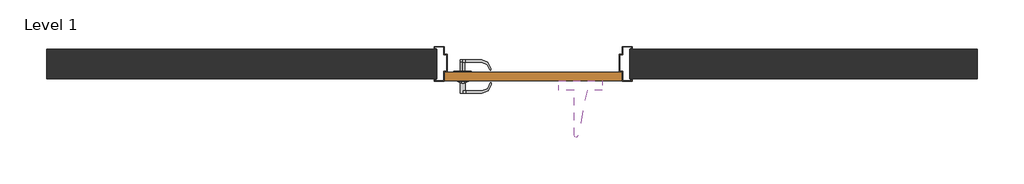
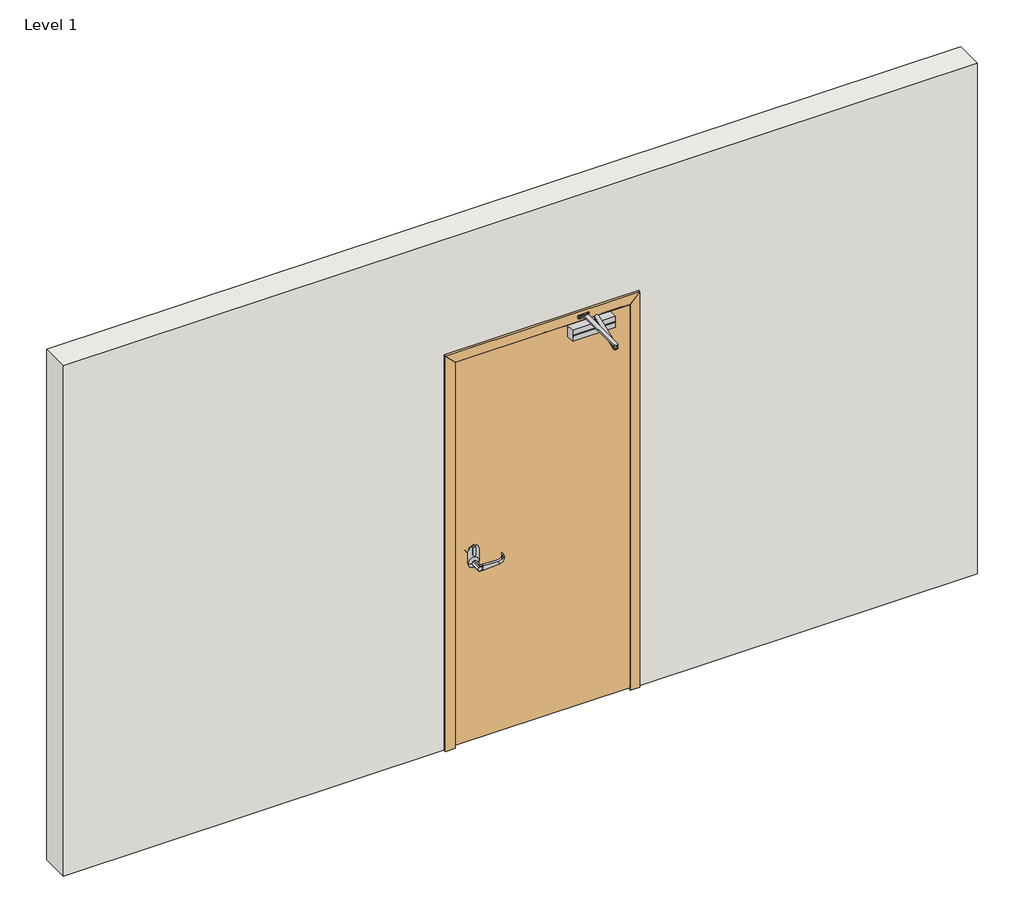
# One storey: 3 proxies, 1 door, 1 wall.
"""IFC4 building model written with IfcOpenShell, lengths in millimetres."""

import ifcopenshell
import ifcopenshell.guid

model = None  # the IFC model being written
_history = None  # IfcOwnerHistory: only IFC2X3 demands one
_inside = {}  # id of a spatial element -> (the spatial element, [elements in it])
_under = {}  # id of a project, library or spatial element -> (it, [spatial elements below it])
_declared = {}  # id of a project -> (the project, [libraries it declares])
_typed = {}  # id of a type object -> (the type object, [elements of that type])
_made_of = {}  # id of a material, layer set ... -> (it, [elements and type objects made of it])


def new_model(schema):
    """Start an empty IFC model of exactly this schema.

    Asked for "IFC4X3", IfcOpenShell would pick the latest addendum, in which some entities
    have other attributes; the version numbers below select the first issue.
    IFC2X3 requires an IfcOwnerHistory on every rooted entity: one is made here for all.
    """
    global model, _history
    if schema == "IFC4X3":
        model = ifcopenshell.file(schema_version=(4, 3, 0, 0))
    else:
        model = ifcopenshell.file(schema=schema)
    _inside.clear()
    _under.clear()
    _declared.clear()
    _typed.clear()
    _made_of.clear()
    _history = None
    if model.schema == "IFC2X3":
        org = make("IfcOrganization", Name="unknown")
        user = make(
            "IfcPersonAndOrganization",
            ThePerson=make("IfcPerson", FamilyName="unknown"),
            TheOrganization=org,
        )
        app = make(
            "IfcApplication",
            ApplicationDeveloper=org,
            Version="unknown",
            ApplicationFullName="unknown",
            ApplicationIdentifier="unknown",
        )
        _history = make(
            "IfcOwnerHistory",
            OwningUser=user,
            OwningApplication=app,
            ChangeAction="ADDED",
            CreationDate=0,
        )
    return model


def make(cls, **values):
    """One entity of the class cls with the attributes given. An attribute that is None is left unset."""
    return model.create_entity(
        cls, **{name: value for name, value in values.items() if value is not None}
    )


def rooted(cls, **values):
    """An entity with a GlobalId (a new one), such as an element, a storey or a relation."""
    return make(cls, GlobalId=ifcopenshell.guid.new(), OwnerHistory=_history, **values)


def si_unit(unit_type, name, prefix=None):
    """IfcSIUnit, for example si_unit("LENGTHUNIT", "METRE", prefix="MILLI")."""
    return make("IfcSIUnit", UnitType=unit_type, Prefix=prefix, Name=name)


def assignment(units):
    """IfcUnitAssignment: the units of a project."""
    return None if units is None else make("IfcUnitAssignment", Units=units)


def point(xyz):
    """IfcCartesianPoint."""
    return None if xyz is None else make("IfcCartesianPoint", Coordinates=xyz)


def direction(xyz):
    """IfcDirection."""
    return None if xyz is None else make("IfcDirection", DirectionRatios=xyz)


def frame(location, z_axis=None, x_axis=None):
    """IfcAxis2Placement3D, a coordinate frame: its origin and axes. An axis left out is left unset."""
    return make(
        "IfcAxis2Placement3D",
        Location=point(location),
        Axis=direction(z_axis),
        RefDirection=direction(x_axis),
    )


def frame_2d(location, x_axis=None):
    """IfcAxis2Placement2D, a coordinate frame in the plane: its origin and x axis."""
    return make(
        "IfcAxis2Placement2D", Location=point(location), RefDirection=direction(x_axis)
    )


def origin():
    """The frame at (0, 0, 0) with its axes left unset."""
    return frame((0.0, 0.0, 0.0))


def origin_with_axes():
    """The frame at (0, 0, 0) with the z axis (0, 0, 1) and the x axis (1, 0, 0) written out."""
    return frame((0.0, 0.0, 0.0), z_axis=(0.0, 0.0, 1.0), x_axis=(1.0, 0.0, 0.0))


def place(relative_to, where):
    """IfcLocalPlacement: puts the frame where relative to a parent placement (None: the world)."""
    return make(
        "IfcLocalPlacement", PlacementRelTo=relative_to, RelativePlacement=where
    )


def context(
    kind, dimensions, precision=None, world=None, true_north=None, identifier=None
):
    """IfcGeometricRepresentationContext, for example the 3D "Model" context."""
    return make(
        "IfcGeometricRepresentationContext",
        ContextIdentifier=identifier,
        ContextType=kind,
        CoordinateSpaceDimension=dimensions,
        Precision=precision,
        WorldCoordinateSystem=world,
        TrueNorth=true_north,
    )


def project(units=None, contexts=None):
    """IfcProject with its units and contexts."""
    return rooted(
        "IfcProject",
        Name="project",
        RepresentationContexts=contexts,
        UnitsInContext=assignment(units),
    )


def spatial(cls, under=None, at=None, **own):
    """A site, building, storey or space (cls), placed at a placement, below another one or the project."""
    s = rooted(cls, ObjectPlacement=at, **own)
    if under is not None:
        _under.setdefault(under.id(), (under, []))[1].append(s)
    return s


def polyline(points):
    """IfcPolyline through the points."""
    return make("IfcPolyline", Points=[point(p) for p in points])


def circle_curve(where, radius):
    """IfcCircle in the frame where."""
    return make("IfcCircle", Position=where, Radius=radius)


def ellipse_curve(where, semi_axis1, semi_axis2):
    """IfcEllipse in the frame where."""
    return make(
        "IfcEllipse", Position=where, SemiAxis1=semi_axis1, SemiAxis2=semi_axis2
    )


def trimmed(basis, trim1, trim2, sense, master):
    """IfcTrimmedCurve: the piece of a basis curve between two trims."""
    return make(
        "IfcTrimmedCurve",
        BasisCurve=basis,
        Trim1=trim1,
        Trim2=trim2,
        SenseAgreement=sense,
        MasterRepresentation=master,
    )


def segment(curve, same_sense, transition):
    """IfcCompositeCurveSegment."""
    return make(
        "IfcCompositeCurveSegment",
        Transition=transition,
        SameSense=same_sense,
        ParentCurve=curve,
    )


def composite_curve(segments, self_intersect=None):
    """IfcCompositeCurve: segments joined end to end."""
    return make("IfcCompositeCurve", Segments=segments, SelfIntersect=self_intersect)


def outline(outer, holes=None, kind="AREA"):
    """IfcArbitraryClosedProfileDef: a profile drawn as a closed curve; with holes, ...WithVoids."""
    if holes is None:
        return make("IfcArbitraryClosedProfileDef", ProfileType=kind, OuterCurve=outer)
    return make(
        "IfcArbitraryProfileDefWithVoids",
        ProfileType=kind,
        OuterCurve=outer,
        InnerCurves=holes,
    )


def extrude(swept, where, along, depth):
    """IfcExtrudedAreaSolid: the profile swept, set in the frame where, extruded along a direction by depth."""
    return make(
        "IfcExtrudedAreaSolid",
        SweptArea=swept,
        Position=where,
        ExtrudedDirection=direction(along),
        Depth=depth,
    )


def faces_of(points, faces, orient=None, outer=None):
    """IfcFace entities. A face is a list of loops; a loop is a list of indices into points, from 0.

    orient and outer hold one flag for each loop. By default every Orientation is true, the
    first loop of a face is its IfcFaceOuterBound and the others are IfcFaceBound.
    """
    made = []
    for i, loops in enumerate(faces):
        bounds = []
        for j, loop in enumerate(loops):
            is_outer = j == 0 if outer is None else outer[i][j]
            bounds.append(
                make(
                    "IfcFaceOuterBound" if is_outer else "IfcFaceBound",
                    Bound=make("IfcPolyLoop", Polygon=[points[k] for k in loop]),
                    Orientation=True if orient is None else orient[i][j],
                )
            )
        made.append(make("IfcFace", Bounds=bounds))
    return made


def faceted_brep(points, faces, orient=None, outer=None, voids=None):
    """IfcFacetedBrep: a solid bounded by flat faces; with voids (closed shells), ...WithVoids."""
    shared = [point(p) for p in points]
    hull = make("IfcClosedShell", CfsFaces=faces_of(shared, faces, orient, outer))
    if voids is None:
        return make("IfcFacetedBrep", Outer=hull)
    return make(
        "IfcFacetedBrepWithVoids",
        Outer=hull,
        Voids=[
            make(cls, CfsFaces=faces_of(shared, fs, o, b)) for cls, fs, o, b in voids
        ],
    )


def shape(context_of_items, identifier, shape_type, items):
    """IfcShapeRepresentation: the items that make up one representation, for example the "Body"."""
    return make(
        "IfcShapeRepresentation",
        ContextOfItems=context_of_items,
        RepresentationIdentifier=identifier,
        RepresentationType=shape_type,
        Items=items,
    )


def source(mapping_origin, context_of_items, identifier, shape_type, items):
    """IfcRepresentationMap: a shape defined once, which mapped items show again and again."""
    return make(
        "IfcRepresentationMap",
        MappingOrigin=mapping_origin,
        MappedRepresentation=shape(context_of_items, identifier, shape_type, items),
    )


def transform(
    local_origin,
    x_axis=None,
    y_axis=None,
    z_axis=None,
    scale=None,
    scale2=None,
    scale3=None,
    uniform=True,
):
    """IfcCartesianTransformationOperator3D, or its non-uniform kind. x_axis, y_axis, z_axis: its Axis1, 2, 3."""
    if uniform:
        return make(
            "IfcCartesianTransformationOperator3D",
            Axis1=direction(x_axis),
            Axis2=direction(y_axis),
            LocalOrigin=point(local_origin),
            Scale=scale,
            Axis3=direction(z_axis),
        )
    return make(
        "IfcCartesianTransformationOperator3DnonUniform",
        Axis1=direction(x_axis),
        Axis2=direction(y_axis),
        LocalOrigin=point(local_origin),
        Scale=scale,
        Axis3=direction(z_axis),
        Scale2=scale2,
        Scale3=scale3,
    )


def mapped(mapping_source, mapping_target):
    """IfcMappedItem: shows the shape of a source again, moved by a transform."""
    return make(
        "IfcMappedItem", MappingSource=mapping_source, MappingTarget=mapping_target
    )


def made_of(thing, what):
    """Note that an element or type object is made of a material, layer set ...; save() writes the relation."""
    if what is not None:
        _made_of.setdefault(what.id(), (what, []))[1].append(thing)
    return thing


def element(
    cls,
    number,
    at=None,
    inside=None,
    cuts=None,
    type_object=None,
    material=None,
    context=None,
    identifier="Body",
    shape_type=None,
    held_by="IfcProductDefinitionShape",
    body=None,
    shapes=None,
    **own,
):
    """One element of the class cls, such as IfcWall. Its Tag is "e" and its number.

    at: its placement. inside: the storey or other place that contains it. cuts: it is an
    opening in that element (IfcRelVoidsElement). A single representation is given by context,
    identifier, shape_type and body (its items); several are given by shapes. held_by: the class
    of the entity that holds the representations. save() writes the other relations.
    """
    e = rooted(cls, Tag="e%d" % number, ObjectPlacement=at, **own)
    if body is not None:
        shapes = [shape(context, identifier, shape_type, body)]
    if shapes is not None:
        e.Representation = make(held_by, Representations=shapes)
    if inside is not None:
        _inside.setdefault(inside.id(), (inside, []))[1].append(e)
    if cuts is not None:
        rooted(
            "IfcRelVoidsElement", RelatingBuildingElement=cuts, RelatedOpeningElement=e
        )
    if type_object is not None:
        _typed.setdefault(type_object.id(), (type_object, []))[1].append(e)
    return made_of(e, material)


def aggregate(whole, parts):
    """IfcRelAggregates: a whole, such as a stair, and the parts it consists of."""
    return rooted("IfcRelAggregates", RelatingObject=whole, RelatedObjects=parts)


def save(model, path):
    """Write the relations noted so far, then the file.

    IfcRelAggregates (storeys below a building ...), IfcRelContainedInSpatialStructure (elements
    in a storey), IfcRelDefinesByType, IfcRelAssociatesMaterial and IfcRelDeclares: one each for
    every whole, place, type object, material and project.
    """
    for whole, parts in _under.values():
        aggregate(whole, parts)
    for where, things in _inside.values():
        rooted(
            "IfcRelContainedInSpatialStructure",
            RelatedElements=things,
            RelatingStructure=where,
        )
    for kind, things in _typed.values():
        rooted("IfcRelDefinesByType", RelatedObjects=things, RelatingType=kind)
    for what, things in _made_of.values():
        rooted("IfcRelAssociatesMaterial", RelatedObjects=things, RelatingMaterial=what)
    for by, libraries in _declared.values():
        rooted("IfcRelDeclares", RelatingContext=by, RelatedDefinitions=libraries)
    model.write(path)


def plane_surface(at):
    """IfcPlane: the flat surface through the origin of the frame at, square to its z axis."""
    return make("IfcPlane", Position=at)


def cylinder_surface(at, radius):
    """IfcCylindricalSurface: all points at the distance radius from the z axis of the frame at."""
    return make("IfcCylindricalSurface", Position=at, Radius=radius)


def revolved_surface(curve, axis_point, axis_direction):
    """IfcSurfaceOfRevolution: the curve turned about the line through axis_point along axis_direction."""
    return make(
        "IfcSurfaceOfRevolution",
        SweptCurve=make("IfcArbitraryOpenProfileDef", ProfileType="CURVE", Curve=curve),
        AxisPosition=make("IfcAxis1Placement", Location=point(axis_point), Axis=direction(axis_direction)),
    )


def advanced_brep(points, edges, surfaces, faces):
    """IfcAdvancedBrep: a solid bounded by faces that lie on surfaces and meet in shared edges.

    An edge is (start, end): straight between two places in points (the first is 0);
    or (start, end, curve); or (start, end, curve, False) where it runs against its curve.
    A face is (place in surfaces, loops), or (place, loops, False) where it looks against
    its surface's normal. A loop lists edges by number (the first is 1), with a minus sign
    where the edge is run from its end to its start. The first loop is the outer one.
    """
    corners = [point(p) for p in points]
    vertices = [make("IfcVertexPoint", VertexGeometry=c) for c in corners]
    made = []
    for start, end, *more in edges:
        made.append(
            make(
                "IfcEdgeCurve",
                EdgeStart=vertices[start],
                EdgeEnd=vertices[end],
                EdgeGeometry=more[0] if more else make("IfcPolyline", Points=[corners[start], corners[end]]),
                SameSense=more[1] if len(more) > 1 else True,
            )
        )
    hull = []
    for where, loops, *sense in faces:
        bounds = []
        for j, loop in enumerate(loops):
            ring = [make("IfcOrientedEdge", EdgeElement=made[abs(k) - 1], Orientation=k > 0) for k in loop]
            bounds.append(
                make(
                    "IfcFaceOuterBound" if j == 0 else "IfcFaceBound",
                    Bound=make("IfcEdgeLoop", EdgeList=ring),
                    Orientation=True,
                )
            )
        hull.append(make("IfcAdvancedFace", Bounds=bounds, FaceSurface=surfaces[where], SameSense=sense[0] if sense else True))
    return make("IfcAdvancedBrep", Outer=make("IfcClosedShell", CfsFaces=hull))


def security_devices_9c26af49(model_context):
    return source(origin(), model_context, "Body", "SolidModel", [
        extrude(outline(composite_curve([segment(trimmed(circle_curve(frame_2d((99.5344007, -0.0063393)), 23.8125), [point((99.5344007, -23.8188393))], [point((99.5344007, 23.8061607))], False, "CARTESIAN"), True, "CONTINUOUS"), segment(trimmed(circle_curve(frame_2d((99.5344007, -0.0063393)), 23.8125), [point((99.5344007, 23.8061607))], [point((99.5344007, -23.8188393))], False, "CARTESIAN"), True, "CONTINUOUS")], self_intersect=False), holes=[polyline([(103.877612, 0.5953125), (103.877612, -0.5479098), (122.117482, -0.5479098), (122.117482, 0.5953125), (103.877612, 0.5953125)])]), frame((0.0, 0.0, 4.7625058), z_axis=(0.0, 0.0, 1.0), x_axis=(1.0, 0.0, 0.0)), (0.0, 0.0, 1.0), 1.5875),
        extrude(outline(composite_curve([segment(trimmed(circle_curve(frame_2d((99.4551409, -0.0278818)), 25.4), [point((99.4551409, -25.4278818))], [point((99.4551409, 25.3721182))], False, "CARTESIAN"), True, "CONTINUOUS"), segment(trimmed(circle_curve(frame_2d((99.4551409, -0.0278818)), 25.4), [point((99.4551409, 25.3721182))], [point((99.4551409, -25.4278818))], False, "CARTESIAN"), True, "CONTINUOUS")], self_intersect=False), holes=[polyline([(103.877612, 0.5953125), (103.877612, -0.5479098), (122.117482, -0.5479098), (122.117482, 0.5953125), (103.877612, 0.5953125)])]), frame((0.0, 0.0, 5.8e-06), z_axis=(0.0, 0.0, 1.0), x_axis=(1.0, 0.0, 0.0)), (0.0, 0.0, 1.0), 4.7625),
        advanced_brep(
        [(-134.3787, -6.35, 3.175), (-134.3787, 6.35, 3.175), (-134.3787, -45.0088, 0.0), (-134.3787, 45.0088, 0.0)],
        [
            (0, 1, circle_curve(frame((-134.3787, 0.0, 3.175), z_axis=(0.0, 0.0, 1.0), x_axis=(0.0, -1.0, 0.0)), 6.35)),
            (1, 0, circle_curve(frame((-134.3787, 0.0, 3.175), z_axis=(0.0, 0.0, 1.0), x_axis=(0.0, 1.0, 0.0)), 6.35)),
            (2, 3, circle_curve(frame((-134.3787, 0.0, 0.0), z_axis=(0.0, 0.0, -1.0), x_axis=(0.0, 1.0, 0.0)), 45.0088)),
            (3, 2, circle_curve(frame((-134.3787, 0.0, 0.0), z_axis=(0.0, 0.0, -1.0), x_axis=(0.0, -1.0, 0.0)), 45.0088)),
            (3, 1),
            (0, 2),
        ],
        [
            plane_surface(frame((-134.3787, 0.0, 3.175), z_axis=(0.0, 0.0, 1.0), x_axis=(1.0, 0.0, 0.0))),
            plane_surface(frame((-134.3787, 0.0, 0.0), z_axis=(0.0, 0.0, -1.0), x_axis=(1.0, 0.0, 0.0))),
            revolved_surface(polyline([(-134.3787, -6.3499995835972864, 3.175), (-134.3787, -45.0088, 0.0)]), (-134.3787, 0.0, 3.6965177), (0.0, 0.0, -1.0)),
            revolved_surface(polyline([(-134.3787, 6.3499995835972864, 3.175), (-134.3787, 45.0088, 0.0)]), (-134.3787, 0.0, 3.6965177), (0.0, 0.0, -1.0)),
        ],
        [
            (0, [[1, 2]]),
            (1, [[3, 4]]),
            (2, [[-4, 5, -1, 6]]),
            (3, [[-3, -6, -2, -5]]),
        ],
    ),
        advanced_brep(
        [(0.9422676, -43.7299898, 4.7622), (0.9422676, 45.1700102, 4.7622), (13.6502825, 0.7189698, 4.7622), (-11.7497175, 0.7189698, 4.7622), (0.9422676, -43.7299898, -0.0003), (0.9422676, 45.1700102, -0.0003), (-11.7497175, 0.7315259, 50.7997), (-11.7497175, -11.9684741, 50.7997), (-11.7497175, -11.9684741, 63.4997), (-11.7497175, 0.7315259, 63.4997), (13.6502825, -11.9684741, 50.7997), (13.6502825, 0.7315259, 50.7997), (13.6502825, 0.7189698, 63.4997), (13.6502825, -11.9684741, 63.4997), (9.618535, -96.1059741, 50.7997), (-7.71797, -96.1059741, 50.7997), (-7.71797, -96.1059741, 63.4997), (9.618535, -96.1059741, 63.4997), (-5.3997175, -144.4849891, 19.1808168), (-5.3997175, -144.4849891, 10.688597), (7.3002825, -144.4849891, 10.688597), (7.3002825, -144.4849891, 19.1808168), (-5.5533138, -141.2796266, 10.688597), (7.4538789, -141.2796266, 10.688597)],
        [
            (0, 1, circle_curve(frame((0.9422676, 0.7200102, 4.7622), z_axis=(0.0, 0.0, 1.0), x_axis=(0.0, 1.0, 0.0)), 44.45)),
            (1, 0, circle_curve(frame((0.9422676, 0.7200102, 4.7622), z_axis=(0.0, 0.0, 1.0), x_axis=(0.0, 1.0, 0.0)), 44.45)),
            (2, 3, circle_curve(frame((0.9502825, 0.7189698, 4.7622), z_axis=(0.0, 0.0, -1.0), x_axis=(0.0, 1.0, 0.0)), 12.7)),
            (3, 2, circle_curve(frame((0.9502825, 0.7189698, 4.7622), z_axis=(0.0, 0.0, -1.0), x_axis=(0.0, 1.0, 0.0)), 12.7)),
            (4, 5, circle_curve(frame((0.9422676, 0.7200102, -0.0003), z_axis=(0.0, 0.0, -1.0), x_axis=(0.0, 1.0, 0.0)), 44.45)),
            (5, 4, circle_curve(frame((0.9422676, 0.7200102, -0.0003), z_axis=(0.0, 0.0, -1.0), x_axis=(0.0, 1.0, 0.0)), 44.45)),
            (0, 4),
            (5, 1),
            (6, 7),
            (7, 8),
            (8, 9),
            (9, 6),
            (10, 11),
            (11, 12),
            (12, 13),
            (13, 10),
            (6, 11, circle_curve(frame((0.9502825, 0.7189698, 50.7997), z_axis=(0.0, 0.0, 1.0), x_axis=(0.0, 1.0, 0.0)), 12.7)),
            (10, 14),
            (14, 15),
            (15, 7),
            (16, 17),
            (17, 13),
            (12, 9, circle_curve(frame((0.9502825, 0.7189698, 63.4997), z_axis=(0.0, 0.0, 1.0), x_axis=(0.0, 1.0, 0.0)), 12.7)),
            (8, 16),
            (16, 18, ellipse_curve(frame((-7.71797, -96.1059741, 14.9347069), z_axis=(0.9988538794169152, 0.047863635191853514, 0.0), x_axis=(-0.04786363519185008, 0.9988538794169152, 0.0)), 48.6207182, 48.564993)),
            (18, 19, circle_curve(frame((-5.3997175, -96.1059741, 14.9347069), z_axis=(1.0, 0.0, 0.0), x_axis=(0.0, -1.0, 0.0)), 48.564993)),
            (19, 20),
            (20, 21, circle_curve(frame((7.3002825, -96.1059741, 14.9347069), z_axis=(-1.0, 0.0, 0.0), x_axis=(0.0, -1.0, 0.0)), 48.564993)),
            (21, 17, ellipse_curve(frame((9.618535, -96.1059741, 14.9347069), z_axis=(-0.9988538794169147, 0.047863635191862944, 0.0), x_axis=(-0.04786363519185988, -0.998853879416915, 0.0)), 48.6207182, 48.564993)),
            (19, 22),
            (22, 23),
            (23, 20),
            (22, 15, ellipse_curve(frame((-7.71797, -96.1059741, 5.3065672), z_axis=(-0.9988538794169152, -0.047863635191853514, 0.0), x_axis=(0.04786363519185008, -0.9988538794169152, 0.0)), 45.5453332, 45.4931328)),
            (14, 23, ellipse_curve(frame((9.618535, -96.1059741, 5.3065672), z_axis=(0.9988538794169147, -0.047863635191862944, 0.0), x_axis=(0.04786363519185988, 0.998853879416915, 0.0)), 45.5453332, 45.4931328)),
            (21, 20),
            (18, 19),
            (6, 3),
            (2, 11),
            (6, 11, circle_curve(frame((0.9502825, 0.7189698, 50.7997), z_axis=(0.0, 0.0, -1.0), x_axis=(0.0, 1.0, 0.0)), 12.7)),
        ],
        [
            plane_surface(frame((0.9422676, 45.1700102, 4.7622), z_axis=(0.0, 0.0, 1.0), x_axis=(-1.0, 0.0, 0.0))),
            plane_surface(frame((0.9422676, 45.1700102, -0.0003), z_axis=(0.0, 0.0, -1.0), x_axis=(1.0, 0.0, 0.0))),
            cylinder_surface(frame((0.9422676, 0.7200102, -0.0003), z_axis=(0.0, 0.0, 1.0), x_axis=(0.0, 1.0, 0.0)), 44.45),
            plane_surface(frame((-11.7497175, -141.5991068, 5.3065672), z_axis=(-1.0, 0.0, 0.0), x_axis=(0.0, 0.0, -1.0))),
            plane_surface(frame((13.6502825, -141.5991068, 5.3065672), z_axis=(1.0, 0.0, 0.0), x_axis=(0.0, 0.0, 1.0))),
            plane_surface(frame((-11.7497175, -24.3071745, 50.7997), z_axis=(0.0, 0.0, -1.0), x_axis=(1.0, 0.0, 0.0))),
            plane_surface(frame((-11.7497175, -96.1059741, 63.4997), z_axis=(0.0, 0.0, 1.0), x_axis=(1.0, 0.0, 0.0))),
            cylinder_surface(frame((13.6502825, -96.1059741, 14.9347069), z_axis=(-1.0, 0.0, 0.0), x_axis=(0.0, -1.0, 0.0)), 48.564993),
            plane_surface(frame((-11.7497175, -141.2796266, 10.688597), z_axis=(0.0, 0.0, -1.0), x_axis=(1.0, 0.0, 0.0))),
            revolved_surface(polyline([(11.798500212976503, -141.59910689999998, 5.3065672), (-9.897935212976058, -141.59910689999998, 5.3065672)]), (13.6502825, -96.1059741, 5.3065672), (1.0, 0.0, 0.0)),
            plane_surface(frame((14.2585473, 0.7252479, 66.7497141), z_axis=(0.9988538794169147, -0.047863635191862944, 0.0), x_axis=(0.0, 0.0, -1.0))),
            plane_surface(frame((7.3002825, -144.4849891, 66.7497141), z_axis=(1.0, 0.0, 0.0), x_axis=(0.0, 0.0, -1.0))),
            plane_surface(frame((-5.3997175, -147.6698877, 66.7497141), z_axis=(-1.0, 0.0, 0.0), x_axis=(0.0, 0.0, -1.0))),
            plane_surface(frame((-5.3997175, -144.4849891, 66.7497141), z_axis=(-0.9988538794169152, -0.047863635191853514, 0.0), x_axis=(0.0, 0.0, -1.0))),
            cylinder_surface(frame((0.9502825, 0.7189698, 4.7622), z_axis=(0.0, 0.0, 1.0), x_axis=(0.0, 1.0, 0.0)), 12.7),
            cylinder_surface(frame((0.9502825, 0.7189698, 50.7997), z_axis=(0.0, 0.0, -1.0), x_axis=(0.0, 1.0, 0.0)), 12.7),
        ],
        [
            (0, [[1, 2], [3, 4]]),
            (1, [[5, 6]]),
            (2, [[-1, 7, -6, 8]]),
            (2, [[-2, -8, -5, -7]]),
            (3, [[9, 10, 11, 12]]),
            (4, [[13, 14, 15, 16]]),
            (5, [[17, -13, 18, 19, 20, -9]]),
            (6, [[21, 22, -15, 23, -11, 24]]),
            (7, [[-21, 25, 26, 27, 28, 29]]),
            (8, [[-27, 30, 31, 32]]),
            (9, [[-31, 33, -19, 34]]),
            (10, [[35, -32, -34, -18, -16, -22, -29]]),
            (11, [[-35, -28]]),
            (12, [[36, -26]]),
            (13, [[-36, -25, -24, -10, -20, -33, -30]]),
            (14, [[-17, 37, -3, 38]]),
            (14, [[-37, 39, -38, -4]]),
            (15, [[-12, -23, -14, -39]]),
        ],
    ),
    ])


def security_devices_b0bf361a(model_context):
    return source(origin(), model_context, "Body", "SolidModel", [
        advanced_brep(
        [(-8.990533, -97.004577, 50.7997), (-12.8497447, -16.4676806, 50.7997), (12.2048245, -16.4751801, 50.7997), (8.3459721, -97.004577, 50.7997), (-12.8493853, -16.4751801, 63.4997), (12.2048245, -16.4751801, 63.4997), (-8.990533, -97.004577, 63.4997), (8.3459721, -97.004577, 63.4997), (-6.6722804, -145.383592, 19.1808168), (-6.6722804, -145.383592, 10.688597), (6.0277196, -145.383592, 10.688597), (6.0277196, -145.383592, 19.1808168), (-6.8258768, -142.1782295, 10.688597), (6.1813159, -142.1782295, 10.688597)],
        [
            (0, 1),
            (1, 2),
            (2, 3),
            (3, 0),
            (1, 4),
            (4, 5),
            (5, 2),
            (4, 6),
            (6, 7),
            (7, 5),
            (6, 8, ellipse_curve(frame((-8.990533, -97.004577, 14.9347069), z_axis=(0.9988538794169153, 0.047863635191850405, 0.0), x_axis=(-0.047863635191848275, 0.9988538794169153, 1.4829133505031355e-11)), 48.6207182, 48.564993)),
            (8, 9, circle_curve(frame((-6.6722804, -97.004577, 14.9347069), z_axis=(1.0, 0.0, 0.0), x_axis=(0.0, -1.0, 0.0)), 48.564993)),
            (9, 10),
            (10, 11, circle_curve(frame((6.0277196, -97.004577, 14.9347069), z_axis=(-1.0, 0.0, 0.0), x_axis=(0.0, -1.0, 0.0)), 48.564993)),
            (11, 7, ellipse_curve(frame((8.3459721, -97.004577, 14.9347069), z_axis=(-0.9988538794169146, 0.04786363519186604, 0.0), x_axis=(-0.047863635191861674, -0.9988538794169146, 1.4829526703403655e-11)), 48.6207182, 48.564993)),
            (9, 12),
            (12, 13),
            (13, 10),
            (3, 13, ellipse_curve(frame((8.3459721, -97.004577, 5.3065672), z_axis=(0.9988538794169146, -0.04786363519186604, 0.0), x_axis=(0.047863635191861674, 0.9988538794169146, -1.4829526703403655e-11)), 45.5453332, 45.4931328)),
            (12, 0, ellipse_curve(frame((-8.990533, -97.004577, 5.3065672), z_axis=(-0.9988538794169153, -0.047863635191850405, 0.0), x_axis=(0.047863635191848275, -0.9988538794169153, -1.4829133505031355e-11)), 45.5453332, 45.4931328)),
            (9, 8),
            (10, 11),
        ],
        [
            plane_surface(frame((-13.0062506, -97.004577, 50.7997), z_axis=(0.0, 0.0, -1.0), x_axis=(1.0, 0.0, 0.0))),
            plane_surface(frame((-13.0062506, -16.4751801, 50.7997), z_axis=(0.0, 1.0, 0.0), x_axis=(1.0, 0.0, 0.0))),
            plane_surface(frame((-13.0062506, -16.4751801, 63.4997), z_axis=(0.0, 0.0, 1.0), x_axis=(1.0, 0.0, 0.0))),
            cylinder_surface(frame((12.3937494, -97.004577, 14.9347069), z_axis=(-1.0, 0.0, 0.0), x_axis=(0.0, -1.0, 0.0)), 48.564993),
            plane_surface(frame((-13.0062506, -145.383592, 10.688597), z_axis=(0.0, 0.0, -1.0), x_axis=(1.0, 0.0, 0.0))),
            revolved_surface(polyline([(10.525937312976584, -142.4977098, 5.3065672), (-11.170498212975975, -142.4977098, 5.3065672)]), (12.3937494, -97.004577, 5.3065672), (1.0, 0.0, 0.0)),
            plane_surface(frame((-13.6325766, -0.1309626, 66.7497141), z_axis=(-0.9988538794169153, -0.047863635191850405, 0.0), x_axis=(0.0, 0.0, -1.0))),
            plane_surface(frame((-6.6722804, -145.383592, 66.7497141), z_axis=(-1.0, 0.0, 0.0), x_axis=(0.0, 0.0, -1.0))),
            plane_surface(frame((6.0277196, -148.5684906, 66.7497141), z_axis=(1.0, 0.0, 0.0), x_axis=(0.0, 0.0, -1.0))),
            plane_surface(frame((6.0277196, -145.383592, 66.7497141), z_axis=(0.9988538794169146, -0.04786363519186604, 0.0), x_axis=(0.0, 0.0, -1.0))),
        ],
        [
            (0, [[1, 2, 3, 4]]),
            (1, [[5, 6, 7, -2]]),
            (2, [[8, 9, 10, -6]]),
            (3, [[11, 12, 13, 14, 15, -9]]),
            (4, [[16, 17, 18, -13]]),
            (5, [[19, -17, 20, -4]]),
            (6, [[-11, -8, -5, -1, -20, -16, 21]]),
            (7, [[-12, -21]]),
            (8, [[-14, 22]]),
            (9, [[-18, -19, -3, -7, -10, -15, -22]]),
        ],
    ),
        advanced_brep(
        [(-12.3937494, -16.4751801, 50.7997), (-12.3937494, -25.9837294, 50.7997), (-12.3937494, -25.9837294, 63.4997), (-12.3937494, -16.4751801, 63.4997), (12.2048245, -16.4751801, 50.7997), (8.3459721, -97.004577, 50.7997), (-8.990533, -97.004577, 50.7997), (12.2048245, -16.4751801, 63.4997), (-8.990533, -97.004577, 63.4997), (8.3459721, -97.004577, 63.4997), (-6.6722804, -145.383592, 19.1808168), (-6.6722804, -145.383592, 10.688597), (6.0277196, -145.383592, 10.688597), (6.0277196, -145.383592, 19.1808168), (-6.8258768, -142.1782295, 10.688597), (6.1813159, -142.1782295, 10.688597)],
        [
            (0, 1),
            (1, 2),
            (2, 3),
            (3, 0),
            (0, 4),
            (4, 5),
            (5, 6),
            (6, 1),
            (3, 7),
            (7, 4),
            (2, 8),
            (8, 9),
            (9, 7),
            (8, 10, ellipse_curve(frame((-8.990533, -97.004577, 14.9347069), z_axis=(0.9988538794169153, 0.047863635191850405, 0.0), x_axis=(0.047863635191848594, -0.9988538794169154, 0.0)), 48.6207182, 48.564993)),
            (10, 11, circle_curve(frame((-6.6722804, -97.004577, 14.9347069), z_axis=(1.0, 0.0, 0.0), x_axis=(0.0, -1.0, 0.0)), 48.564993)),
            (11, 12),
            (12, 13, circle_curve(frame((6.0277196, -97.004577, 14.9347069), z_axis=(-1.0, 0.0, 0.0), x_axis=(0.0, -1.0, 0.0)), 48.564993)),
            (13, 9, ellipse_curve(frame((8.3459721, -97.004577, 14.9347069), z_axis=(-0.9988538794169146, 0.04786363519186604, 0.0), x_axis=(0.04786363519186136, 0.9988538794169147, 0.0)), 48.6207182, 48.564993)),
            (11, 14),
            (14, 15),
            (15, 12),
            (14, 6, ellipse_curve(frame((-8.990533, -97.004577, 5.3065672), z_axis=(-0.9988538794169153, -0.047863635191850405, 0.0), x_axis=(-0.047863635191848594, 0.9988538794169154, 0.0)), 45.5453332, 45.4931328)),
            (5, 15, ellipse_curve(frame((8.3459721, -97.004577, 5.3065672), z_axis=(0.9988538794169146, -0.04786363519186604, 0.0), x_axis=(-0.04786363519186136, -0.9988538794169147, 0.0)), 45.5453332, 45.4931328)),
            (11, 10),
            (12, 13),
        ],
        [
            plane_surface(frame((-12.3937494, -142.4977097, 5.3065672), z_axis=(-1.0, 0.0, 0.0), x_axis=(0.0, 0.0, 1.0))),
            plane_surface(frame((13.0062506, -16.4751801, 50.7997), z_axis=(0.0, 0.0, -1.0), x_axis=(-1.0, 0.0, 0.0))),
            plane_surface(frame((13.0062506, -16.4751801, 63.4997), z_axis=(0.0, 1.0, 0.0), x_axis=(-1.0, 0.0, 0.0))),
            plane_surface(frame((13.0062506, -97.004577, 63.4997), z_axis=(0.0, 0.0, 1.0), x_axis=(-1.0, 0.0, 0.0))),
            cylinder_surface(frame((-12.3937494, -97.004577, 14.9347069), z_axis=(1.0, 0.0, 0.0), x_axis=(0.0, -1.0, 0.0)), 48.564993),
            plane_surface(frame((13.0062506, -142.1782295, 10.688597), z_axis=(0.0, 0.0, -1.0), x_axis=(-1.0, 0.0, 0.0))),
            revolved_surface(polyline([(-11.170498212975989, -142.4977098, 5.3065672), (10.525937312976573, -142.4977098, 5.3065672)]), (-12.3937494, -97.004577, 5.3065672), (-1.0, 0.0, 0.0)),
            plane_surface(frame((-13.6325766, -0.1309626, 66.7497141), z_axis=(-0.9988538794169153, -0.047863635191850405, 0.0), x_axis=(0.0, 0.0, -1.0))),
            plane_surface(frame((-6.6722804, -145.383592, 66.7497141), z_axis=(-1.0, 0.0, 0.0), x_axis=(0.0, 0.0, -1.0))),
            plane_surface(frame((6.0277196, -148.5684906, 66.7497141), z_axis=(1.0, 0.0, 0.0), x_axis=(0.0, 0.0, -1.0))),
            plane_surface(frame((6.0277196, -145.383592, 66.7497141), z_axis=(0.9988538794169146, -0.04786363519186604, 0.0), x_axis=(0.0, 0.0, -1.0))),
        ],
        [
            (0, [[1, 2, 3, 4]]),
            (1, [[5, 6, 7, 8, -1]]),
            (2, [[9, 10, -5, -4]]),
            (3, [[11, 12, 13, -9, -3]]),
            (4, [[14, 15, 16, 17, 18, -12]]),
            (5, [[19, 20, 21, -16]]),
            (6, [[22, -7, 23, -20]]),
            (7, [[-14, -11, -2, -8, -22, -19, 24]]),
            (8, [[-15, -24]]),
            (9, [[-17, 25]]),
            (10, [[-21, -23, -6, -10, -13, -18, -25]]),
        ],
    ),
        extrude(outline(composite_curve([segment(trimmed(circle_curve(frame_2d((47.3153852, 0.1083977)), 6.35), [point((47.3102802, -6.2416002))], [point((47.3204902, 6.4583957))], False, "CARTESIAN"), True, "CONTINUOUS"), segment(polyline([(47.3204902, 6.4583957), (85.4204779, 6.4277656)]), True, "CONTINUOUS"), segment(trimmed(circle_curve(frame_2d((85.4153729, 0.0777677)), 6.35), [point((85.4204779, 6.4277656))], [point((85.4102679, -6.2722303))], False, "CARTESIAN"), True, "CONTINUOUS"), segment(polyline([(85.4102679, -6.2722303), (47.3102802, -6.2416002)]), True, "CONTINUOUS")], self_intersect=False)), frame((0.0, 0.0, 2.5000211), z_axis=(0.0, 0.0, 1.0), x_axis=(1.0, 0.0, 0.0)), (0.0, 0.0, 1.0), 10.1999789),
        extrude(outline(composite_curve([segment(polyline([(-12.8493853, -16.4751801), (-12.8493853, -2.5826845)]), True, "CONTINUOUS"), segment(trimmed(circle_curve(frame_2d((-0.3812323, -0.167077)), 12.7), [point((-12.8493853, -2.5826845))], [point((12.2048245, -1.8644794))], True, "CARTESIAN"), True, "CONTINUOUS"), segment(polyline([(12.2048245, -1.8644794), (12.2048245, -16.4751801), (-12.8493853, -16.4751801)]), True, "CONTINUOUS")], self_intersect=False)), frame((0.0, 0.0, 50.7997), z_axis=(0.0, 0.0, 1.0), x_axis=(1.0, 0.0, 0.0)), (0.0, 0.0, 1.0), 12.7),
        extrude(outline(composite_curve([segment(trimmed(circle_curve(frame_2d((-0.3812323, -0.167077)), 12.7), [point((-0.3812323, -12.867077))], [point((-0.3812323, 12.532923))], False, "CARTESIAN"), True, "CONTINUOUS"), segment(trimmed(circle_curve(frame_2d((-0.3812323, -0.167077)), 12.7), [point((-0.3812323, 12.532923))], [point((-0.3812323, -12.867077))], False, "CARTESIAN"), True, "CONTINUOUS")], self_intersect=False)), frame((0.0, 0.0, 4.7622), z_axis=(0.0, 0.0, 1.0), x_axis=(1.0, 0.0, 0.0)), (0.0, 0.0, 1.0), 58.7375),
        advanced_brep(
        [(0.0, 12.7, 10.688597), (0.0, -12.7, 10.688597), (0.0, 28.4260422, 2.5000211), (0.0, -28.4260422, 2.5000211)],
        [
            (0, 1, circle_curve(frame((0.0, 0.0, 10.688597), z_axis=(0.0, 0.0, 1.0), x_axis=(0.0, -1.0, 0.0)), 12.7)),
            (1, 0, circle_curve(frame((0.0, 0.0, 10.688597), z_axis=(0.0, 0.0, 1.0), x_axis=(0.0, 1.0, 0.0)), 12.7)),
            (2, 3, circle_curve(frame((0.0, 0.0, 2.5000211), z_axis=(0.0, 0.0, -1.0), x_axis=(0.0, 1.0, 0.0)), 28.4260422)),
            (3, 2, circle_curve(frame((0.0, 0.0, 2.5000211), z_axis=(0.0, 0.0, -1.0), x_axis=(0.0, -1.0, 0.0)), 28.4260422)),
            (2, 0),
            (1, 3),
        ],
        [
            plane_surface(frame((0.0, 0.0, 10.688597), z_axis=(0.0, 0.0, 1.0), x_axis=(1.0, 0.0, 0.0))),
            plane_surface(frame((0.0, 0.0, 2.5000211), z_axis=(0.0, 0.0, -1.0), x_axis=(1.0, 0.0, 0.0))),
            revolved_surface(polyline([(0.0, 12.700000025378246, 10.688597), (0.0, 28.4260422, 2.5000210999999997)]), (0.0, 0.0, 17.3015078), (0.0, 0.0, -1.0)),
            revolved_surface(polyline([(0.0, -12.700000025378246, 10.688597), (0.0, -28.4260422, 2.5000210999999997)]), (0.0, 0.0, 17.3015078), (0.0, 0.0, -1.0)),
        ],
        [
            (0, [[1, 2]]),
            (1, [[3, 4]]),
            (2, [[5, -2, 6, -3]]),
            (3, [[-6, -1, -5, -4]]),
        ],
    ),
        extrude(outline(composite_curve([segment(trimmed(circle_curve(frame_2d((65.1886615, 0.0341513)), 29.5), [point((65.2123777, 29.5341418))], [point((65.1649454, -29.4658391))], False, "CARTESIAN"), True, "CONTINUOUS"), segment(polyline([(65.1649454, -29.4658391), (1.164966, -29.4143871)]), True, "CONTINUOUS"), segment(trimmed(circle_curve(frame_2d((1.1886822, 0.0856034)), 29.5), [point((1.164966, -29.4143871))], [point((1.2123984, 29.5855938))], False, "CARTESIAN"), True, "CONTINUOUS"), segment(polyline([(1.2123984, 29.5855938), (65.2123777, 29.5341418)]), True, "CONTINUOUS")], self_intersect=False)), origin_with_axes(), (0.0, 0.0, 1.0), 2.5000211),
        extrude(outline(composite_curve([segment(polyline([(12.8493853, -16.4751801), (-12.2048245, -16.4751801), (-12.2048245, -1.8644794)]), True, "CONTINUOUS"), segment(trimmed(circle_curve(frame_2d((0.3812323, -0.167077)), 12.7), [point((-12.2048245, -1.8644794))], [point((12.8493853, -2.5826845))], True, "CARTESIAN"), True, "CONTINUOUS"), segment(polyline([(12.8493853, -2.5826845), (12.8493853, -16.4751801)]), True, "CONTINUOUS")], self_intersect=False)), frame((0.0, 0.0, 50.7997), z_axis=(0.0, 0.0, 1.0), x_axis=(1.0, 0.0, 0.0)), (0.0, 0.0, 1.0), 12.7),
        extrude(outline(composite_curve([segment(trimmed(circle_curve(frame_2d((0.3812323, -0.167077)), 12.7), [point((0.3812323, -12.867077))], [point((0.3812323, 12.532923))], False, "CARTESIAN"), True, "CONTINUOUS"), segment(trimmed(circle_curve(frame_2d((0.3812323, -0.167077)), 12.7), [point((0.3812323, 12.532923))], [point((0.3812323, -12.867077))], False, "CARTESIAN"), True, "CONTINUOUS")], self_intersect=False)), frame((0.0, 0.0, 4.7622), z_axis=(0.0, 0.0, 1.0), x_axis=(1.0, 0.0, 0.0)), (0.0, 0.0, 1.0), 58.7375),
        advanced_brep(
        [(0.0, 12.7, 10.688597), (0.0, -12.7, 10.688597), (0.0, 28.4260422, 2.5000211), (0.0, -28.4260422, 2.5000211)],
        [
            (0, 1, circle_curve(frame((0.0, 0.0, 10.688597), z_axis=(0.0, 0.0, 1.0), x_axis=(0.0, -1.0, 0.0)), 12.7)),
            (1, 0, circle_curve(frame((0.0, 0.0, 10.688597), z_axis=(0.0, 0.0, 1.0), x_axis=(0.0, 1.0, 0.0)), 12.7)),
            (2, 3, circle_curve(frame((0.0, 0.0, 2.5000211), z_axis=(0.0, 0.0, -1.0), x_axis=(0.0, 1.0, 0.0)), 28.4260422)),
            (3, 2, circle_curve(frame((0.0, 0.0, 2.5000211), z_axis=(0.0, 0.0, -1.0), x_axis=(0.0, -1.0, 0.0)), 28.4260422)),
            (3, 1),
            (0, 2),
        ],
        [
            plane_surface(frame((0.0, 0.0, 10.688597), z_axis=(0.0, 0.0, 1.0), x_axis=(1.0, 0.0, 0.0))),
            plane_surface(frame((0.0, 0.0, 2.5000211), z_axis=(0.0, 0.0, -1.0), x_axis=(1.0, 0.0, 0.0))),
            revolved_surface(polyline([(0.0, -12.700000025378246, 10.688597), (0.0, -28.4260422, 2.5000210999999997)]), (0.0, 0.0, 17.3015078), (0.0, 0.0, -1.0)),
            revolved_surface(polyline([(0.0, 12.700000025378246, 10.688597), (0.0, 28.4260422, 2.5000210999999997)]), (0.0, 0.0, 17.3015078), (0.0, 0.0, -1.0)),
        ],
        [
            (0, [[1, 2]]),
            (1, [[3, 4]]),
            (2, [[5, -1, 6, -4]]),
            (3, [[-6, -2, -5, -3]]),
        ],
    ),
    ])


def pull_ddca34ec(model_context):
    return source(origin(), model_context, "Body", "SolidModel", [
        extrude(outline(composite_curve([segment(trimmed(circle_curve(frame_2d((279.5, -132.8828125)), 10.0), [point((279.5, -122.8828125))], [point((279.5, -142.8828125))], False, "CARTESIAN"), True, "CONTINUOUS"), segment(polyline([(279.5, -142.8828125), (4.5, -142.8828125), (4.5, -122.8828125), (279.5, -122.8828125)]), True, "CONTINUOUS")], self_intersect=False)), frame((0.0, 86.1, 0.0), z_axis=(0.0, 1.0, 0.0), x_axis=(0.0, 0.0, 1.0)), (0.0, 0.0, 1.0), 8.0),
        extrude(outline(composite_curve([segment(trimmed(circle_curve(frame_2d((279.5, -132.8828125)), 10.0), [point((281.4169051, -123.0682583))], [point((277.5830949, -142.6973667))], False, "CARTESIAN"), True, "CONTINUOUS"), segment(polyline([(277.5830949, -142.6973667), (21.5830949, -92.6973667)]), True, "CONTINUOUS"), segment(trimmed(circle_curve(frame_2d((23.5, -82.8828125)), 10.0), [point((21.5830949, -92.6973667))], [point((25.4169051, -73.0682583))], False, "CARTESIAN"), True, "CONTINUOUS"), segment(polyline([(25.4169051, -73.0682583), (281.4169051, -123.0682583)]), True, "CONTINUOUS")], self_intersect=False)), frame((0.0, 70.0, 0.0), z_axis=(0.0, 1.0, 0.0), x_axis=(0.0, 0.0, 1.0)), (0.0, 0.0, 1.0), 6.0),
        extrude(outline(polyline([(-170.8828125, 97.6), (-112.8828125, 97.6), (-112.8828125, 82.6), (-170.8828125, 82.6), (-170.8828125, 97.6)])), frame((0.0, 0.0, 3.0), z_axis=(0.0, 0.0, 1.0), x_axis=(1.0, 0.0, 0.0)), (0.0, 0.0, 1.0), 1.5),
        extrude(outline(composite_curve([segment(polyline([(3.0, -170.8828125), (3.0, -112.8828125), (8.0, -112.8828125), (15.0431445, -125.0818966)]), True, "CONTINUOUS"), segment(trimmed(circle_curve(frame_2d((0.1083868, -133.704483)), 17.2451727), [point((15.0431445, -125.0818966))], [point((16.7659445, -138.1678621))], False, "CARTESIAN"), True, "CONTINUOUS"), segment(polyline([(16.7659445, -138.1678621), (8.0, -170.8828125), (3.0, -170.8828125)]), True, "CONTINUOUS")], self_intersect=False)), frame((0.0, 82.6, 0.0), z_axis=(0.0, 1.0, 0.0), x_axis=(0.0, 0.0, 1.0)), (0.0, 0.0, 1.0), 1.5),
        extrude(outline(composite_curve([segment(polyline([(3.0, -170.8828125), (3.0, -112.8828125), (8.0, -112.8828125), (15.0431445, -125.0818966)]), True, "CONTINUOUS"), segment(trimmed(circle_curve(frame_2d((0.1083868, -133.704483)), 17.2451727), [point((15.0431445, -125.0818966))], [point((16.7659445, -138.1678621))], False, "CARTESIAN"), True, "CONTINUOUS"), segment(polyline([(16.7659445, -138.1678621), (8.0, -170.8828125), (3.0, -170.8828125)]), True, "CONTINUOUS")], self_intersect=False)), frame((0.0, 96.1, 0.0), z_axis=(0.0, 1.0, 0.0), x_axis=(0.0, 0.0, 1.0)), (0.0, 0.0, 1.0), 1.5),
        extrude(outline(composite_curve([segment(trimmed(circle_curve(frame_2d((279.5, -132.8828125)), 10.0), [point((279.5, -142.8828125))], [point((279.5, -122.8828125))], False, "CARTESIAN"), True, "CONTINUOUS"), segment(trimmed(circle_curve(frame_2d((279.5, -132.8828125)), 10.0), [point((279.5, -122.8828125))], [point((279.5, -142.8828125))], False, "CARTESIAN"), True, "CONTINUOUS")], self_intersect=False)), frame((0.0, 76.0, 0.0), z_axis=(0.0, 1.0, 0.0), x_axis=(0.0, 0.0, 1.0)), (0.0, 0.0, 1.0), 10.1),
        advanced_brep(
        [(-92.8828125, 70.0, 23.5), (-72.8828125, 70.0, 23.5), (-72.8828125, 60.0, 23.5), (-92.8828125, 60.0, 23.5), (-82.8828125, 60.0, 23.5), (-82.8828125, 70.0, 23.5)],
        [
            (0, 1, circle_curve(frame((-82.8828125, 70.0, 23.5), z_axis=(0.0, -1.0, 0.0), x_axis=(1.0, 0.0, 0.0)), 10.0)),
            (1, 2),
            (2, 3, circle_curve(frame((-82.8828125, 60.0, 23.5), z_axis=(0.0, 1.0, 0.0), x_axis=(1.0, 0.0, 0.0)), 10.0)),
            (3, 0),
            (1, 0, circle_curve(frame((-82.8828125, 70.0, 23.5), z_axis=(0.0, -1.0, 0.0), x_axis=(1.0, 0.0, 0.0)), 10.0)),
            (3, 2, circle_curve(frame((-82.8828125, 60.0, 23.5), z_axis=(0.0, 1.0, 0.0), x_axis=(1.0, 0.0, 0.0)), 10.0)),
            (2, 4),
            (4, 3),
            (5, 1),
            (0, 5),
        ],
        [
            cylinder_surface(frame((-82.8828125, 118.0, 23.5), z_axis=(0.0, 1.0, 0.0), x_axis=(1.0, 0.0, 0.0)), 10.0),
            plane_surface(frame((-82.8828125, 60.0, 23.5), z_axis=(0.0, -1.0, 0.0), x_axis=(1.0, 0.0, 0.0))),
            plane_surface(frame((-82.8828125, 70.0, 23.5), z_axis=(0.0, 1.0, 0.0), x_axis=(1.0, 0.0, 0.0))),
        ],
        [
            (0, [[1, 2, 3, 4]]),
            (0, [[5, -4, 6, -2]]),
            (1, [[-3, 7, 8]]),
            (1, [[-6, -8, -7]]),
            (2, [[9, -1, 10]]),
            (2, [[-10, -5, -9]]),
        ],
    ),
        extrude(outline(polyline([(60.0, 0.0), (0.0, 0.0), (0.0, 47.0), (27.5, 47.0), (27.5, 46.0), (32.5, 46.0), (32.5, 47.0), (60.0, 47.0), (60.0, 0.0)])), frame((-222.8828125, 0.0, 0.0), z_axis=(1.0, 0.0, 0.0), x_axis=(0.0, 1.0, 0.0)), (0.0, 0.0, 1.0), 222.8828125),
    ])


def pull_ffc83646(model_context):
    return source(origin(), model_context, "Body", "SolidModel", [
        extrude(outline(polyline([(454.81875, -42.8625), (454.81875, -87.3125), (-454.81875, -87.3125), (-454.81875, -42.8625), (454.81875, -42.8625)])), frame((0.0, 0.0, 15.875), z_axis=(0.0, 0.0, 1.0), x_axis=(1.0, 0.0, 0.0)), (0.0, 0.0, 1.0), 2114.55),
        faceted_brep([(-506.4123984, -77.7875, 2182.8123984), (506.4125, -77.7875, 2182.8123984), (506.4125, -87.3125, 2182.8123984), (-506.4123984, -87.3125, 2182.8123984), (458.7875, -87.3125, 2135.1873984), (-458.7873984, -87.3125, 2135.1873984), (458.7875, -38.1, 2135.1873984), (-458.7873984, -38.1, 2135.1873984), (442.9125, -38.1, 2119.3123984), (-442.9123984, -38.1, 2119.3123984), (442.9125, 47.625, 2119.3123984), (-442.9123984, 47.625, 2119.3123984), (458.7875, 47.625, 2135.1873984), (-458.7873984, 47.625, 2135.1873984), (458.7875, 87.3125, 2135.1873984), (-458.7873984, 87.3125, 2135.1873984), (506.4125, 87.3125, 2182.8123984), (-506.4123984, 87.3125, 2182.8123984), (506.4125, 77.7875, 2182.8123984), (-506.4123984, 77.7875, 2182.8123984), (498.475, 77.7875, 2174.8748984), (-498.4748984, 77.7875, 2174.8748984), (498.475, 76.2, 2174.8748984), (-498.4748984, 76.2, 2174.8748984), (-507.9998984, 76.2, 2184.3998984), (508.0, 76.2, 2184.3998984), (508.0, 88.9, 2184.3998984), (-507.9998984, 88.9, 2184.3998984), (457.2, 88.9, 2133.5998984), (-457.1998984, 88.9, 2133.5998984), (457.2, 49.2125, 2133.5998984), (-457.1998984, 49.2125, 2133.5998984), (441.325, 49.2125, 2117.7248984), (-441.3248984, 49.2125, 2117.7248984), (441.325, -39.6875, 2117.7248984), (-441.3248984, -39.6875, 2117.7248984), (457.2, -39.6875, 2133.5998984), (-457.1998984, -39.6875, 2133.5998984), (457.2, -88.9, 2133.5998984), (-457.1998984, -88.9, 2133.5998984), (-507.9998984, -88.9, 2184.3998984), (508.0, -88.9, 2184.3998984), (508.0, -76.2, 2184.3998984), (-507.9998984, -76.2, 2184.3998984), (498.475, -76.2, 2174.8748984), (-498.4748984, -76.2, 2174.8748984), (498.475, -77.7875, 2174.8748984), (-498.4748984, -77.7875, 2174.8748984)], [[[0, 1, 2, 3]], [[3, 2, 4, 5]], [[5, 4, 6, 7]], [[7, 6, 8, 9]], [[9, 8, 10, 11]], [[11, 10, 12, 13]], [[13, 12, 14, 15]], [[15, 14, 16, 17]], [[17, 16, 18, 19]], [[19, 18, 20, 21]], [[21, 20, 22, 23]], [[24, 23, 22, 25]], [[25, 26, 27, 24]], [[26, 28, 29, 27]], [[29, 28, 30, 31]], [[31, 30, 32, 33]], [[33, 32, 34, 35]], [[35, 34, 36, 37]], [[37, 36, 38, 39]], [[40, 39, 38, 41]], [[41, 42, 43, 40]], [[42, 44, 45, 43]], [[45, 44, 46, 47]], [[47, 46, 1, 0]], [[3, 5, 7, 9, 11, 13, 15, 17, 19, 21, 23, 24, 27, 29, 31, 33, 35, 37, 39, 40, 43, 45, 47, 0]], [[1, 46, 44, 42, 41, 38, 36, 34, 32, 30, 28, 26, 25, 22, 20, 18, 16, 14, 12, 10, 8, 6, 4, 2]]]),
        faceted_brep([(-506.4125, -77.7875, 0.0), (-506.4125, -87.3125, 0.0), (-458.7875, -87.3125, 0.0), (-458.7875, -38.1, 0.0), (-442.9125, -38.1, 0.0), (-442.9125, 47.625, 0.0), (-458.7875, 47.625, 0.0), (-458.7875, 87.3125, 0.0), (-506.4125, 87.3125, 0.0), (-506.4125, 77.7875, 0.0), (-498.475, 77.7875, 0.0), (-498.475, 76.2, 0.0), (-508.0, 76.2, 0.0), (-508.0, 88.9, 0.0), (-457.2, 88.9, 0.0), (-457.2, 49.2125, 0.0), (-441.325, 49.2125, 0.0), (-441.325, -39.6875, 0.0), (-457.2, -39.6875, 0.0), (-457.2, -88.9, 0.0), (-508.0, -88.9, 0.0), (-508.0, -76.2, 0.0), (-498.475, -76.2, 0.0), (-498.475, -77.7875, 0.0), (-506.4125, -77.7875, 2182.8126016), (-506.4125, -87.3125, 2182.8126016), (-458.7875, -87.3125, 2135.1876016), (-458.7875, -38.1, 2135.1876016), (-442.9125, -38.1, 2119.3126016), (-442.9125, 47.625, 2119.3126016), (-458.7875, 47.625, 2135.1876016), (-458.7875, 87.3125, 2135.1876016), (-506.4125, 87.3125, 2182.8126016), (-506.4125, 77.7875, 2182.8126016), (-498.475, 77.7875, 2174.8751016), (-498.475, 76.2, 2174.8751016), (-508.0, 76.2, 2184.4001016), (-508.0, 88.9, 2184.4001016), (-457.2, 88.9, 2133.6001016), (-457.2, 49.2125, 2133.6001016), (-441.325, 49.2125, 2117.7251016), (-441.325, -39.6875, 2117.7251016), (-457.2, -39.6875, 2133.6001016), (-457.2, -88.9, 2133.6001016), (-508.0, -88.9, 2184.4001016), (-508.0, -76.2, 2184.4001016), (-498.475, -76.2, 2174.8751016), (-498.475, -77.7875, 2174.8751016)], [[[0, 1, 2, 3, 4, 5, 6, 7, 8, 9, 10, 11, 12, 13, 14, 15, 16, 17, 18, 19, 20, 21, 22, 23]], [[0, 24, 25, 1]], [[1, 25, 26, 2]], [[2, 26, 27, 3]], [[3, 27, 28, 4]], [[4, 28, 29, 5]], [[5, 29, 30, 6]], [[6, 30, 31, 7]], [[7, 31, 32, 8]], [[8, 32, 33, 9]], [[9, 33, 34, 10]], [[10, 34, 35, 11]], [[11, 35, 36, 12]], [[12, 36, 37, 13]], [[13, 37, 38, 14]], [[14, 38, 39, 15]], [[15, 39, 40, 16]], [[16, 40, 41, 17]], [[17, 41, 42, 18]], [[18, 42, 43, 19]], [[19, 43, 44, 20]], [[20, 44, 45, 21]], [[21, 45, 46, 22]], [[22, 46, 47, 23]], [[23, 47, 24, 0]], [[24, 47, 46, 45, 44, 43, 42, 41, 40, 39, 38, 37, 36, 35, 34, 33, 32, 31, 30, 29, 28, 27, 26, 25]]]),
        faceted_brep([(508.0001016, -76.2, 0.0), (508.0001016, -88.9, 0.0), (457.2001016, -88.9, 0.0), (457.2001016, -39.6875, 0.0), (441.3251016, -39.6875, 0.0), (441.3251016, 49.2125, 0.0), (457.2001016, 49.2125, 0.0), (457.2001016, 88.9, 0.0), (508.0001016, 88.9, 0.0), (508.0001016, 76.2, 0.0), (498.4751016, 76.2, 0.0), (498.4751016, 77.7875, 0.0), (506.4126016, 77.7875, 0.0), (506.4126016, 87.3125, 0.0), (458.7876016, 87.3125, 0.0), (458.7876016, 47.625, 0.0), (442.9126016, 47.625, 0.0), (442.9126016, -38.1, 0.0), (458.7876016, -38.1, 0.0), (458.7876016, -87.3125, 0.0), (506.4126016, -87.3125, 0.0), (506.4126016, -77.7875, 0.0), (498.4751016, -77.7875, 0.0), (498.4751016, -76.2, 0.0), (508.0001016, -76.2, 2184.4001016), (508.0001016, -88.9, 2184.4001016), (457.2001016, -88.9, 2133.6001016), (457.2001016, -39.6875, 2133.6001016), (441.3251016, -39.6875, 2117.7251016), (441.3251016, 49.2125, 2117.7251016), (457.2001016, 49.2125, 2133.6001016), (457.2001016, 88.9, 2133.6001016), (508.0001016, 88.9, 2184.4001016), (508.0001016, 76.2, 2184.4001016), (498.4751016, 76.2, 2174.8751016), (498.4751016, 77.7875, 2174.8751016), (506.4126016, 77.7875, 2182.8126016), (506.4126016, 87.3125, 2182.8126016), (458.7876016, 87.3125, 2135.1876016), (458.7876016, 47.625, 2135.1876016), (442.9126016, 47.625, 2119.3126016), (442.9126016, -38.1, 2119.3126016), (458.7876016, -38.1, 2135.1876016), (458.7876016, -87.3125, 2135.1876016), (506.4126016, -87.3125, 2182.8126016), (506.4126016, -77.7875, 2182.8126016), (498.4751016, -77.7875, 2174.8751016), (498.4751016, -76.2, 2174.8751016)], [[[0, 1, 2, 3, 4, 5, 6, 7, 8, 9, 10, 11, 12, 13, 14, 15, 16, 17, 18, 19, 20, 21, 22, 23]], [[0, 24, 25, 1]], [[1, 25, 26, 2]], [[2, 26, 27, 3]], [[3, 27, 28, 4]], [[4, 28, 29, 5]], [[5, 29, 30, 6]], [[6, 30, 31, 7]], [[7, 31, 32, 8]], [[8, 32, 33, 9]], [[9, 33, 34, 10]], [[10, 34, 35, 11]], [[11, 35, 36, 12]], [[12, 36, 37, 13]], [[13, 37, 38, 14]], [[14, 38, 39, 15]], [[15, 39, 40, 16]], [[16, 40, 41, 17]], [[17, 41, 42, 18]], [[18, 42, 43, 19]], [[19, 43, 44, 20]], [[20, 44, 45, 21]], [[21, 45, 46, 22]], [[22, 46, 47, 23]], [[23, 47, 24, 0]], [[24, 47, 46, 45, 44, 43, 42, 41, 40, 39, 38, 37, 36, 35, 34, 33, 32, 31, 30, 29, 28, 27, 26, 25]]]),
    ])


model = new_model("IFC4")

# Units and contexts
model_context = context("Model", 3, world=origin())
ifc_project = project(units=[si_unit("LENGTHUNIT", "METRE", prefix="MILLI")], contexts=[model_context])

# Site, building, storey
site = spatial("IfcSite", under=ifc_project)
building = spatial("IfcBuilding", under=site)
storey = spatial("IfcBuildingStorey", under=building, Name="Level 1", Elevation=0.0)

# Proxies
placement = place(None, origin())
security_devices_shape = security_devices_9c26af49(model_context)
element("IfcBuildingElementProxy", 1, Name="Security Devices", at=placement, inside=storey, context=model_context, shape_type="MappedRepresentation", body=[
    mapped(security_devices_shape, transform((2135.1335887, -42.8625, 996.0), x_axis=(0.0, 0.0, -1.0), y_axis=(-1.0, 0.0, 0.0), z_axis=(0.0, 1.0, 0.0))),
])
security_devices_2_shape = security_devices_b0bf361a(model_context)
element("IfcBuildingElementProxy", 2, Name="Security Devices", at=placement, inside=storey, context=model_context, shape_type="MappedRepresentation", body=[
    mapped(security_devices_2_shape, transform((2135.1335887, -87.3125, 996.0), x_axis=(0.0, 0.0, 1.0), y_axis=(-1.0, 0.0, 0.0), z_axis=(0.0, -1.0, 0.0))),
])
pull_shape = pull_ddca34ec(model_context)
element("IfcBuildingElementProxy", 3, Name="Pull", ObjectType="Pull", at=placement, inside=storey, context=model_context, shape_type="MappedRepresentation", body=[
    mapped(pull_shape, transform((2849.6773387, -87.3125, 2070.1), x_axis=(1.0, 0.0, 0.0), y_axis=(0.0, 0.0, 1.0), z_axis=(0.0, -1.0, 0.0))),
])

# Door
pull_2_shape = pull_ffc83646(model_context)
element("IfcDoor", 4, ObjectType="Pull", at=placement, inside=storey, context=model_context, shape_type="MappedRepresentation", body=[
    mapped(pull_2_shape, transform((2496.4585887, 0.0, 0.0), x_axis=(1.0, 0.0, 0.0), y_axis=(0.0, 1.0, 0.0), z_axis=(0.0, 0.0, 1.0))),
])

# Wall
element("IfcWall", 5, at=placement, inside=storey, context=model_context, shape_type="SweptSolid", body=[
    extrude(outline(polyline([(2171.7, 2991.7585887), (0.0, 2991.7585887), (0.0, 4775.2), (2818.4009948, 4775.2), (2818.4009948, 0.0), (0.0, 0.0), (0.0, 2001.1585887), (2171.7, 2001.1585887), (2171.7, 2991.7585887)])), frame((0.0, -76.2, 0.0), z_axis=(0.0, 1.0, 0.0), x_axis=(0.0, 0.0, 1.0)), (0.0, 0.0, 1.0), 152.4),
])

save(model, "model.ifc")
